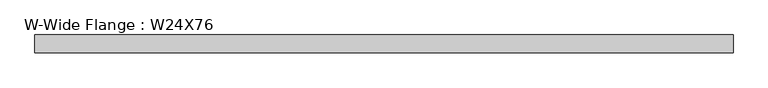
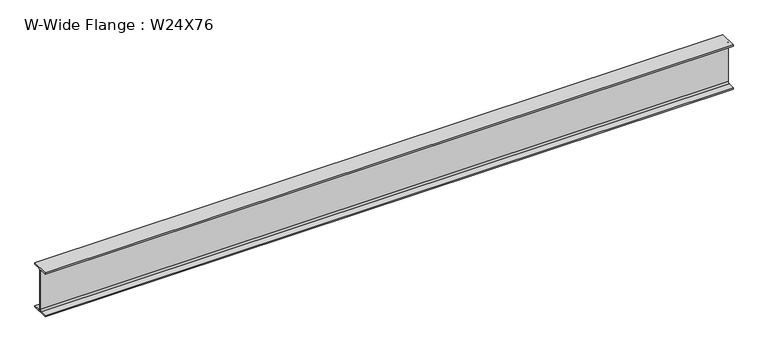
"""IFC4 building model written with IfcOpenShell, lengths in millimetres: beam geometry, W-Wide Flange : W24X76."""

from ifc_helpers import new_model, si_unit, point, frame, frame_2d, origin, place, context, project, spatial, polyline, circle_curve, trimmed, segment, composite_curve, outline, extrude, source, transform, mapped, element, save


def w_wide_flange_w24x76_10a93d31(model_context):
    return source(origin(), model_context, "Body", "SweptSolid", [
        extrude(outline(composite_curve([segment(polyline([(114.1511719, -286.2460938), (114.1511719, -303.5101563), (-114.1511719, -303.5101563), (-114.1511719, -286.2460938), (-28.0292969, -286.2460938)]), True, "CONTINUOUS"), segment(trimmed(circle_curve(frame_2d((-28.0292969, -263.8226563)), 22.4234375), [point((-28.0292969, -286.2460938))], [point((-5.6058594, -263.8226563))], True, "CARTESIAN"), True, "CONTINUOUS"), segment(polyline([(-5.6058594, -263.8226563), (-5.6058594, 263.8226562)]), True, "CONTINUOUS"), segment(trimmed(circle_curve(frame_2d((-28.0292969, 263.8226562)), 22.4234375), [point((-5.6058594, 263.8226562))], [point((-28.0292969, 286.2460937))], True, "CARTESIAN"), True, "CONTINUOUS"), segment(polyline([(-28.0292969, 286.2460937), (-114.1511719, 286.2460937), (-114.1511719, 303.5101562), (114.1511719, 303.5101562), (114.1511719, 286.2460937), (28.0292969, 286.2460937)]), True, "CONTINUOUS"), segment(trimmed(circle_curve(frame_2d((28.0292969, 263.8226562)), 22.4234375), [point((28.0292969, 286.2460937))], [point((5.6058594, 263.8226562))], True, "CARTESIAN"), True, "CONTINUOUS"), segment(polyline([(5.6058594, 263.8226562), (5.6058594, -263.8226563)]), True, "CONTINUOUS"), segment(trimmed(circle_curve(frame_2d((28.0292969, -263.8226563)), 22.4234375), [point((5.6058594, -263.8226563))], [point((28.0292969, -286.2460938))], True, "CARTESIAN"), True, "CONTINUOUS"), segment(polyline([(28.0292969, -286.2460938), (114.1511719, -286.2460938)]), True, "CONTINUOUS")], self_intersect=False)), frame((-4455.1699219, 0.0, 0.0), z_axis=(1.0, 0.0, 0.0), x_axis=(0.0, 1.0, 0.0)), (0.0, 0.0, 1.0), 8962.6777344),
    ])


if __name__ == "__main__":
    model = new_model("IFC4")
    model_context = context("Model", 3, world=origin())
    ifc_project = project(units=[si_unit("LENGTHUNIT", "METRE", prefix="MILLI")], contexts=[model_context])
    site = spatial("IfcSite", under=ifc_project)
    building = spatial("IfcBuilding", under=site)
    placement = place(None, origin())
    w_wide_flange_w24x76_shape = w_wide_flange_w24x76_10a93d31(model_context)
    element("IfcBeam", 1, ObjectType="W-Wide Flange : W24X76", at=placement, inside=building, context=model_context, shape_type="MappedRepresentation", body=[
        mapped(w_wide_flange_w24x76_shape, transform((0.0, 0.0, 0.0), x_axis=(1.0, 0.0, 0.0), y_axis=(0.0, 1.0, 0.0), z_axis=(0.0, 0.0, 1.0))),
    ])
    save(model, "model.ifc")
